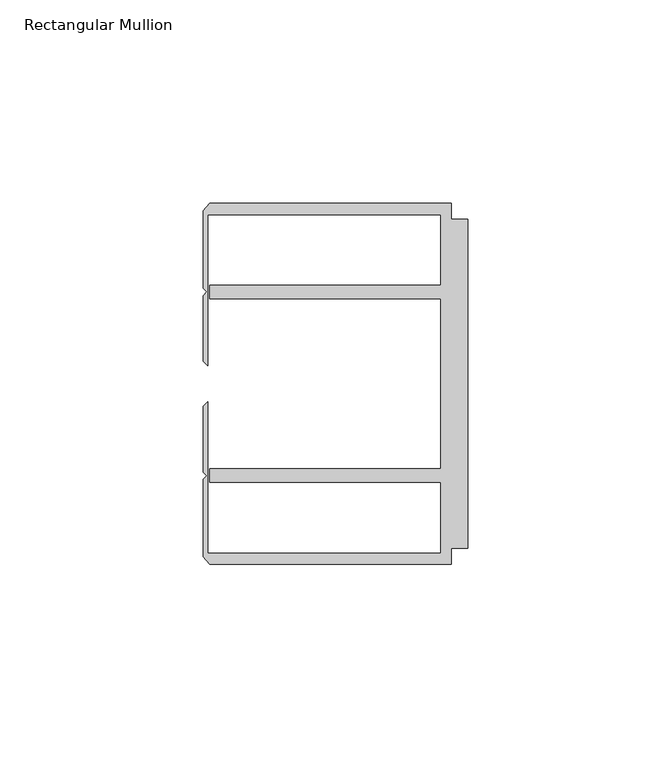
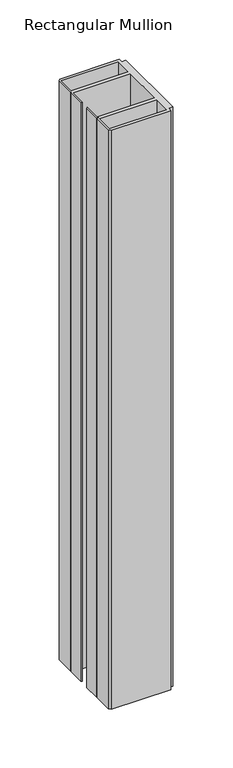
"""IFC4 building model written with IfcOpenShell, lengths in millimetres: member geometry, Rectangular Mullion."""

from ifc_helpers import new_model, si_unit, frame, origin, place, context, project, spatial, polyline, outline, extrude, source, transform, mapped, element, save


def rectangular_mullion_0fd5bf52(model_context):
    return source(origin(), model_context, "Body", "SweptSolid", [
        extrude(outline(polyline([(-4.0000001, 44.45), (-4.0000001, 40.4500013), (0.0, 40.4500013), (0.0, -40.4500013), (-4.0000001, -40.4500013), (-4.0000001, -44.45), (-63.5, -44.45), (-65.0875, -42.5778955), (-65.0875, -23.53206), (-64.1791674, -22.6237274), (-65.0875, -21.7153948), (-65.0875, -5.55625), (-63.9424102, -4.4111602), (-63.9424102, -41.6500013), (-6.6000002, -41.6500013), (-6.6000002, -24.2500008), (-63.5, -24.2500008), (-63.5, -20.9500007), (-6.6000002, -20.9500007), (-6.6000002, 20.9500007), (-63.5, 20.9500007), (-63.5, 24.2500008), (-6.6000002, 24.2500008), (-6.6000002, 41.6500013), (-63.9424102, 41.6500013), (-63.9424102, 4.4111602), (-65.0875, 5.55625), (-65.0875, 21.7153948), (-64.1791674, 22.6237274), (-65.0875, 23.53206), (-65.0875, 42.5778955), (-63.5, 44.45), (-4.0000001, 44.45)])), frame((0.0, 0.0, -609.6), z_axis=(0.0, 0.0, 1.0), x_axis=(1.0, 0.0, 0.0)), (0.0, 0.0, 1.0), 609.6),
    ])


if __name__ == "__main__":
    model = new_model("IFC4")
    model_context = context("Model", 3, world=origin())
    ifc_project = project(units=[si_unit("LENGTHUNIT", "METRE", prefix="MILLI")], contexts=[model_context])
    site = spatial("IfcSite", under=ifc_project)
    building = spatial("IfcBuilding", under=site)
    placement = place(None, origin())
    rectangular_mullion_shape = rectangular_mullion_0fd5bf52(model_context)
    element("IfcMember", 1, ObjectType="Rectangular Mullion", at=placement, inside=building, context=model_context, shape_type="MappedRepresentation", body=[
        mapped(rectangular_mullion_shape, transform((0.0, 0.0, 0.0), x_axis=(1.0, 0.0, 0.0), y_axis=(0.0, 1.0, 0.0), z_axis=(0.0, 0.0, 1.0))),
    ])
    save(model, "model.ifc")
